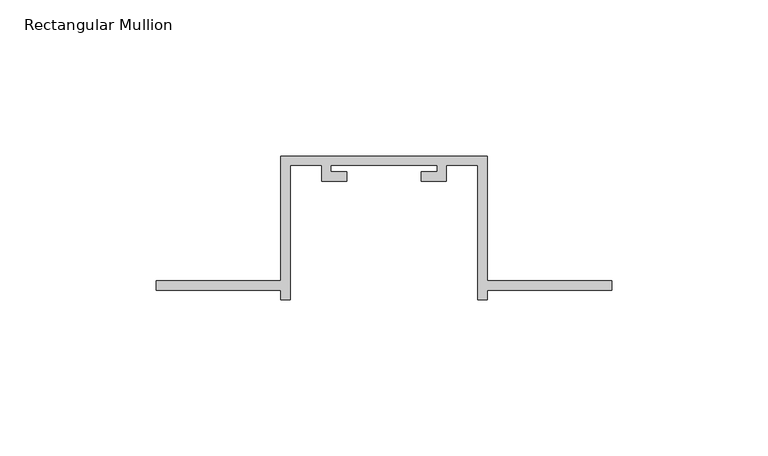
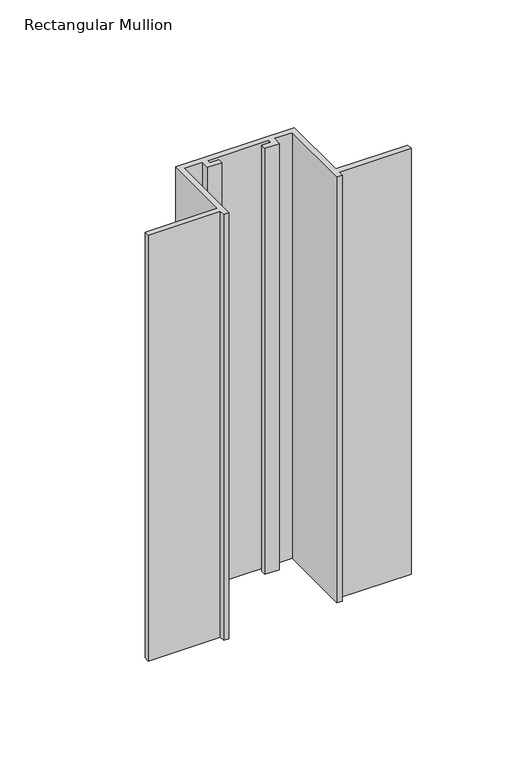
"""IFC4 building model written with IfcOpenShell, lengths in millimetres: member geometry, Rectangular Mullion."""

from ifc_helpers import new_model, si_unit, frame, origin, place, context, project, spatial, polyline, outline, extrude, source, transform, mapped, element, save


def rectangular_mullion_fcb937da(model_context):
    return source(origin(), model_context, "Body", "SweptSolid", [
        extrude(outline(polyline([(-33.0, -132.0), (-73.0, -132.0), (-73.0, -129.0), (-33.0, -129.0), (-33.0, -89.0), (33.0, -89.0), (33.0, -129.0), (73.0, -129.0), (73.0, -132.0), (33.0, -132.0), (33.0, -135.0), (30.0, -135.0), (30.0, -92.0), (20.0, -92.0), (20.0, -97.0), (12.0, -97.0), (12.0, -94.0), (17.0, -94.0), (17.0, -92.0), (-17.0, -92.0), (-17.0, -94.0), (-12.0, -94.0), (-12.0, -97.0), (-20.0, -97.0), (-20.0, -92.0), (-30.0, -92.0), (-30.0, -135.0), (-33.0, -135.0), (-33.0, -132.0)])), frame((0.0, 0.0, -250.4084279), z_axis=(0.0, 0.0, 1.0), x_axis=(1.0, 0.0, 0.0)), (0.0, 0.0, 1.0), 250.4084279),
    ])


if __name__ == "__main__":
    model = new_model("IFC4")
    model_context = context("Model", 3, world=origin())
    ifc_project = project(units=[si_unit("LENGTHUNIT", "METRE", prefix="MILLI")], contexts=[model_context])
    site = spatial("IfcSite", under=ifc_project)
    building = spatial("IfcBuilding", under=site)
    placement = place(None, origin())
    rectangular_mullion_shape = rectangular_mullion_fcb937da(model_context)
    element("IfcMember", 1, ObjectType="Rectangular Mullion", at=placement, inside=building, context=model_context, shape_type="MappedRepresentation", body=[
        mapped(rectangular_mullion_shape, transform((0.0, 0.0, 0.0), x_axis=(1.0, 0.0, 0.0), y_axis=(0.0, 1.0, 0.0), z_axis=(0.0, 0.0, 1.0))),
    ])
    save(model, "model.ifc")
